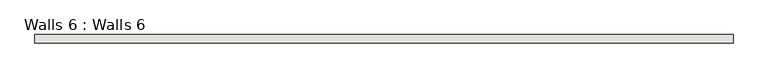
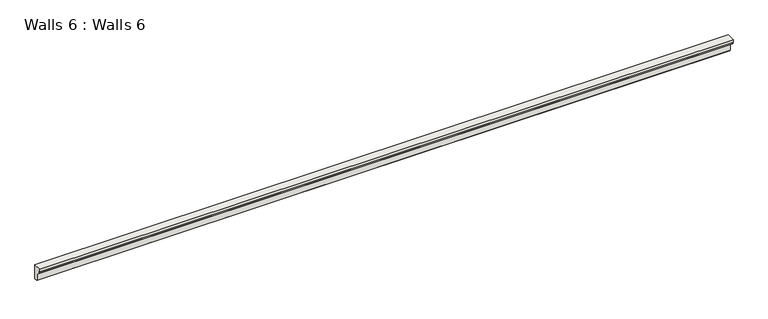
"""IFC4 building model written with IfcOpenShell, lengths in millimetres: wall geometry, Walls 6 : Walls 6."""

from ifc_helpers import new_model, si_unit, frame, origin, place, context, project, spatial, polyline, outline, extrude, source, transform, mapped, element, save


def walls_6_walls_6_e9bad231(model_context):
    return source(origin(), model_context, "Body", "SweptSolid", [
        extrude(outline(polyline([(-9346.9360315, -6988.7197439), (-9346.9360315, -6931.5697439), (-9383.7521123, -6900.677384), (-9383.7521123, -6881.627384), (-9390.1021123, -6881.627384), (-9390.1021123, -6858.3959511), (-9312.5557753, -6858.3959511), (-9312.5557753, -6997.7), (-9337.9557753, -6997.7), (-9346.9360315, -6988.7197439)])), frame((-11973.5469605, 0.0, 0.0), z_axis=(1.0, 0.0, 0.0), x_axis=(0.0, 1.0, 0.0)), (0.0, 0.0, 1.0), 6371.5011643),
    ])


if __name__ == "__main__":
    model = new_model("IFC4")
    model_context = context("Model", 3, world=origin())
    ifc_project = project(units=[si_unit("LENGTHUNIT", "METRE", prefix="MILLI")], contexts=[model_context])
    site = spatial("IfcSite", under=ifc_project)
    building = spatial("IfcBuilding", under=site)
    placement = place(None, origin())
    walls_6_walls_6_shape = walls_6_walls_6_e9bad231(model_context)
    element("IfcWall", 1, ObjectType="Walls 6 : Walls 6", at=placement, inside=building, context=model_context, shape_type="MappedRepresentation", body=[
        mapped(walls_6_walls_6_shape, transform((0.0, 0.0, 0.0), x_axis=(1.0, 0.0, 0.0), y_axis=(0.0, 1.0, 0.0), z_axis=(0.0, 0.0, 1.0))),
    ])
    save(model, "model.ifc")
